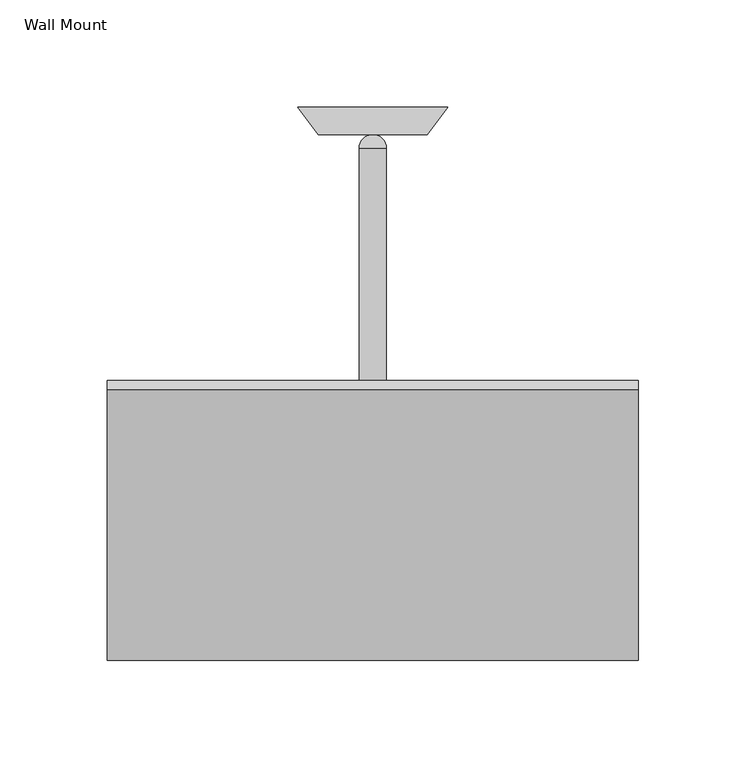
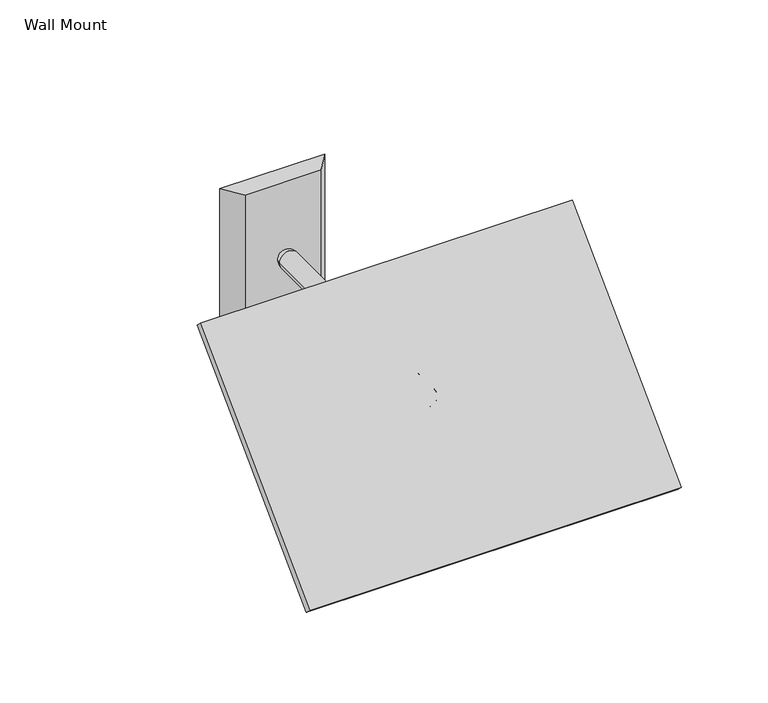
"""IFC4 building model written with IfcOpenShell, lengths in millimetres: proxy geometry, Wall Mount."""

from ifc_helpers import new_model, si_unit, point, frame, origin, place, context, project, spatial, polyline, circle_curve, ellipse_curve, trimmed, outline, extrude, source, transform, mapped, element, save
from ifc_brep_helpers import cylinder_surface, revolved_surface, advanced_brep


def wall_mount_fdc3a1fb(model_context):
    return source(origin(), model_context, "Body", "SolidModel", [
        extrude(outline(polyline([(0.0, -101.6), (0.0, 0.0), (6.35, 0.0), (6.35, -101.6), (0.0, -101.6)])), frame((-50.8, -226.4210245, 1030.8789755), z_axis=(0.0, 0.7071067811865372, 0.7071067811865579), x_axis=(0.0, 0.7071067811865579, -0.7071067811865372)), (0.0, 0.0, 1.0), 101.6),
        extrude(outline(polyline([(0.0, -247.396), (0.0, 0.0), (6.0523437, 0.0), (6.0523437, -247.396), (0.0, -247.396)])), frame((-123.698, -257.8210513, 1008.0382553), z_axis=(0.0, 0.7071067811865399, 0.7071067811865552), x_axis=(0.0, 0.7071067811865552, -0.7071067811865399)), (0.0, 0.0, 1.0), 178.308),
        advanced_brep(
        [(6.35, -177.8, 1066.8), (-6.35, -177.8, 1066.8), (-6.35, -158.75, 1066.8), (6.35, -158.75, 1066.8), (0.0, -184.15, 1066.8), (0.0, -152.4, 1066.8)],
        [
            (0, 1, circle_curve(frame((0.0, -177.8, 1066.8), z_axis=(0.0, 1.0, 0.0), x_axis=(-1.0, 0.0, 0.0)), 6.35)),
            (1, 2),
            (2, 3, circle_curve(frame((0.0, -158.75, 1066.8), z_axis=(0.0, -1.0, 0.0), x_axis=(-1.0, 0.0, 0.0)), 6.35)),
            (3, 0),
            (1, 0, circle_curve(frame((0.0, -177.8, 1066.8), z_axis=(0.0, 1.0, 0.0), x_axis=(-1.0, 0.0, 0.0)), 6.35)),
            (3, 2, circle_curve(frame((0.0, -158.75, 1066.8), z_axis=(0.0, -1.0, 0.0), x_axis=(-1.0, 0.0, 0.0)), 6.35)),
            (4, 1, circle_curve(frame((0.0, -177.8, 1066.8), z_axis=(0.0, 0.0, -1.0), x_axis=(0.0, -1.0, 0.0)), 6.35)),
            (0, 4, circle_curve(frame((0.0, -177.8, 1066.8), z_axis=(0.0, 0.0, -1.0), x_axis=(0.0, -1.0, 0.0)), 6.35)),
            (2, 5, circle_curve(frame((0.0, -158.75, 1066.8), z_axis=(0.0, 0.0, -1.0), x_axis=(0.0, -1.0, 0.0)), 6.35)),
            (5, 3, circle_curve(frame((0.0, -158.75, 1066.8), z_axis=(0.0, 0.0, -1.0), x_axis=(0.0, -1.0, 0.0)), 6.35)),
        ],
        [
            cylinder_surface(frame((0.0, 1362.0830824, 1066.8), z_axis=(0.0, -1.0, 0.0), x_axis=(-1.0, 0.0, 0.0)), 6.35),
            revolved_surface(trimmed(ellipse_curve(frame((0.0, -177.8, 1066.8), z_axis=(0.0, 0.0, 1.0), x_axis=(0.0, -1.0, 0.0)), 6.35, 6.35), [point((-6.35, -177.8, 1066.8))], [point((0.0, -184.15, 1066.8))], True, "CARTESIAN"), (0.0, 1362.0830824, 1066.8), (0.0, -1.0, 0.0)),
            revolved_surface(trimmed(ellipse_curve(frame((0.0, -158.75, 1066.8), z_axis=(0.0, 0.0, 1.0), x_axis=(0.0, -1.0, 0.0)), 6.35, 6.35), [point((0.0, -152.4, 1066.8))], [point((-6.35, -158.75, 1066.8))], True, "CARTESIAN"), (0.0, 1362.0830824, 1066.8), (0.0, -1.0, 0.0)),
        ],
        [
            (0, [[1, 2, 3, 4]]),
            (0, [[5, -4, 6, -2]]),
            (1, [[7, -1, 8]]),
            (1, [[-8, -5, -7]]),
            (2, [[-3, 9, 10]]),
            (2, [[-6, -10, -9]]),
        ],
    ),
        advanced_brep(
        [(0.0, -165.1, 1066.8), (-6.35, -158.75, 1066.8), (6.35, -158.75, 1066.8), (6.35, -19.05, 1066.8), (-6.35, -19.05, 1066.8), (0.0, -12.7, 1066.8)],
        [
            (0, 1, circle_curve(frame((0.0, -158.75, 1066.8), z_axis=(0.0, 0.0, -1.0), x_axis=(0.0, -1.0, 0.0)), 6.35)),
            (1, 2, circle_curve(frame((0.0, -158.75, 1066.8), z_axis=(0.0, -1.0, 0.0), x_axis=(-1.0, 0.0, 0.0)), 6.35)),
            (2, 0, circle_curve(frame((0.0, -158.75, 1066.8), z_axis=(0.0, 0.0, -1.0), x_axis=(0.0, -1.0, 0.0)), 6.35)),
            (2, 1, circle_curve(frame((0.0, -158.75, 1066.8), z_axis=(0.0, -1.0, 0.0), x_axis=(-1.0, 0.0, 0.0)), 6.35)),
            (3, 4, circle_curve(frame((0.0, -19.05, 1066.8), z_axis=(0.0, 1.0, 0.0), x_axis=(-1.0, 0.0, 0.0)), 6.35)),
            (4, 5, circle_curve(frame((0.0, -19.05, 1066.8), z_axis=(0.0, 0.0, -1.0), x_axis=(0.0, -1.0, 0.0)), 6.35)),
            (5, 3, circle_curve(frame((0.0, -19.05, 1066.8), z_axis=(0.0, 0.0, -1.0), x_axis=(0.0, -1.0, 0.0)), 6.35)),
            (4, 3, circle_curve(frame((0.0, -19.05, 1066.8), z_axis=(0.0, 1.0, 0.0), x_axis=(-1.0, 0.0, 0.0)), 6.35)),
            (1, 4),
            (3, 2),
        ],
        [
            revolved_surface(trimmed(ellipse_curve(frame((0.0, -158.75, 1066.8), z_axis=(0.0, 0.0, 1.0), x_axis=(0.0, -1.0, 0.0)), 6.35, 6.35), [point((-6.35, -158.75, 1066.8))], [point((0.0, -165.1, 1066.8))], True, "CARTESIAN"), (0.0, 1524.0, 1066.8), (0.0, -1.0, 0.0)),
            revolved_surface(trimmed(ellipse_curve(frame((0.0, -19.05, 1066.8), z_axis=(0.0, 0.0, 1.0), x_axis=(0.0, -1.0, 0.0)), 6.35, 6.35), [point((0.0, -12.7, 1066.8))], [point((-6.35, -19.05, 1066.8))], True, "CARTESIAN"), (0.0, 1524.0, 1066.8), (0.0, -1.0, 0.0)),
            cylinder_surface(frame((0.0, 1524.0, 1066.8), z_axis=(0.0, -1.0, 0.0), x_axis=(-1.0, 0.0, 0.0)), 6.35),
        ],
        [
            (0, [[1, 2, 3]]),
            (0, [[-3, 4, -1]]),
            (1, [[5, 6, 7]]),
            (1, [[8, -7, -6]]),
            (2, [[-2, 9, -5, 10]]),
            (2, [[-4, -10, -8, -9]]),
        ],
    ),
        extrude(outline(polyline([(34.925, 0.0), (25.4, -12.7), (-25.4, -12.7), (-34.925, 0.0), (34.925, 0.0)])), frame((0.0, 0.0, 1016.0), z_axis=(0.0, 0.0, 1.0), x_axis=(1.0, 0.0, 0.0)), (0.0, 0.0, 1.0), 101.6),
    ])


if __name__ == "__main__":
    model = new_model("IFC4")
    model_context = context("Model", 3, world=origin())
    ifc_project = project(units=[si_unit("LENGTHUNIT", "METRE", prefix="MILLI")], contexts=[model_context])
    site = spatial("IfcSite", under=ifc_project)
    building = spatial("IfcBuilding", under=site)
    placement = place(None, origin())
    wall_mount_shape = wall_mount_fdc3a1fb(model_context)
    element("IfcBuildingElementProxy", 1, Name="Wall Mount", ObjectType="Wall Mount", at=placement, inside=building, context=model_context, shape_type="MappedRepresentation", body=[
        mapped(wall_mount_shape, transform((0.0, 0.0, 0.0), x_axis=(1.0, 0.0, 0.0), y_axis=(0.0, 1.0, 0.0), z_axis=(0.0, 0.0, 1.0))),
    ])
    save(model, "model.ifc")
